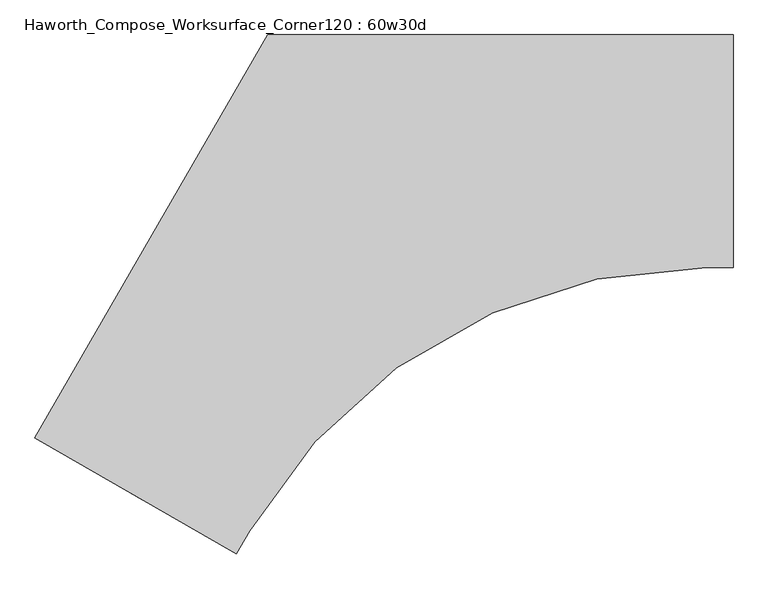
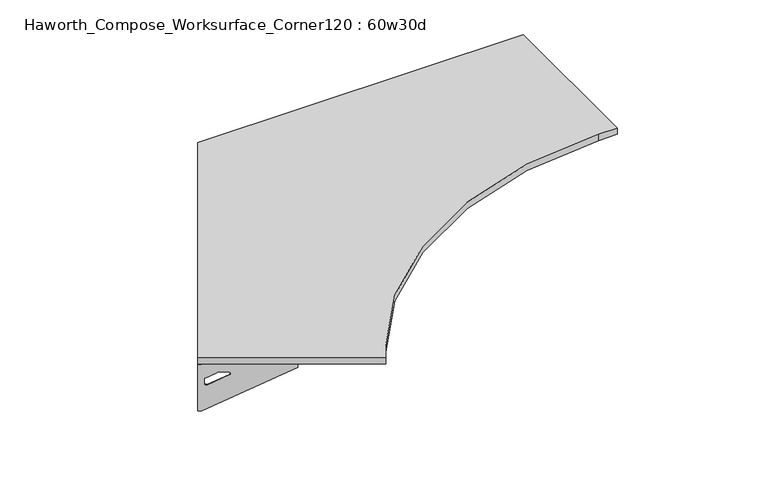
"""IFC4 building model written with IfcOpenShell, lengths in millimetres: furniture geometry, Haworth_Compose_Worksurface_Corner120 : 60w30d."""

import ifcopenshell
import ifcopenshell.guid

model = None  # the IFC model being written
_history = None  # IfcOwnerHistory: only IFC2X3 demands one
_inside = {}  # id of a spatial element -> (the spatial element, [elements in it])
_under = {}  # id of a project, library or spatial element -> (it, [spatial elements below it])
_declared = {}  # id of a project -> (the project, [libraries it declares])
_typed = {}  # id of a type object -> (the type object, [elements of that type])
_made_of = {}  # id of a material, layer set ... -> (it, [elements and type objects made of it])


def new_model(schema):
    """Start an empty IFC model of exactly this schema.

    Asked for "IFC4X3", IfcOpenShell would pick the latest addendum, in which some entities
    have other attributes; the version numbers below select the first issue.
    IFC2X3 requires an IfcOwnerHistory on every rooted entity: one is made here for all.
    """
    global model, _history
    if schema == "IFC4X3":
        model = ifcopenshell.file(schema_version=(4, 3, 0, 0))
    else:
        model = ifcopenshell.file(schema=schema)
    _inside.clear()
    _under.clear()
    _declared.clear()
    _typed.clear()
    _made_of.clear()
    _history = None
    if model.schema == "IFC2X3":
        org = make("IfcOrganization", Name="unknown")
        user = make(
            "IfcPersonAndOrganization",
            ThePerson=make("IfcPerson", FamilyName="unknown"),
            TheOrganization=org,
        )
        app = make(
            "IfcApplication",
            ApplicationDeveloper=org,
            Version="unknown",
            ApplicationFullName="unknown",
            ApplicationIdentifier="unknown",
        )
        _history = make(
            "IfcOwnerHistory",
            OwningUser=user,
            OwningApplication=app,
            ChangeAction="ADDED",
            CreationDate=0,
        )
    return model


def make(cls, **values):
    """One entity of the class cls with the attributes given. An attribute that is None is left unset."""
    return model.create_entity(
        cls, **{name: value for name, value in values.items() if value is not None}
    )


def rooted(cls, **values):
    """An entity with a GlobalId (a new one), such as an element, a storey or a relation."""
    return make(cls, GlobalId=ifcopenshell.guid.new(), OwnerHistory=_history, **values)


def si_unit(unit_type, name, prefix=None):
    """IfcSIUnit, for example si_unit("LENGTHUNIT", "METRE", prefix="MILLI")."""
    return make("IfcSIUnit", UnitType=unit_type, Prefix=prefix, Name=name)


def assignment(units):
    """IfcUnitAssignment: the units of a project."""
    return None if units is None else make("IfcUnitAssignment", Units=units)


def point(xyz):
    """IfcCartesianPoint."""
    return None if xyz is None else make("IfcCartesianPoint", Coordinates=xyz)


def direction(xyz):
    """IfcDirection."""
    return None if xyz is None else make("IfcDirection", DirectionRatios=xyz)


def frame(location, z_axis=None, x_axis=None):
    """IfcAxis2Placement3D, a coordinate frame: its origin and axes. An axis left out is left unset."""
    return make(
        "IfcAxis2Placement3D",
        Location=point(location),
        Axis=direction(z_axis),
        RefDirection=direction(x_axis),
    )


def frame_2d(location, x_axis=None):
    """IfcAxis2Placement2D, a coordinate frame in the plane: its origin and x axis."""
    return make(
        "IfcAxis2Placement2D", Location=point(location), RefDirection=direction(x_axis)
    )


def origin():
    """The frame at (0, 0, 0) with its axes left unset."""
    return frame((0.0, 0.0, 0.0))


def place(relative_to, where):
    """IfcLocalPlacement: puts the frame where relative to a parent placement (None: the world)."""
    return make(
        "IfcLocalPlacement", PlacementRelTo=relative_to, RelativePlacement=where
    )


def context(
    kind, dimensions, precision=None, world=None, true_north=None, identifier=None
):
    """IfcGeometricRepresentationContext, for example the 3D "Model" context."""
    return make(
        "IfcGeometricRepresentationContext",
        ContextIdentifier=identifier,
        ContextType=kind,
        CoordinateSpaceDimension=dimensions,
        Precision=precision,
        WorldCoordinateSystem=world,
        TrueNorth=true_north,
    )


def project(units=None, contexts=None):
    """IfcProject with its units and contexts."""
    return rooted(
        "IfcProject",
        Name="project",
        RepresentationContexts=contexts,
        UnitsInContext=assignment(units),
    )


def spatial(cls, under=None, at=None, **own):
    """A site, building, storey or space (cls), placed at a placement, below another one or the project."""
    s = rooted(cls, ObjectPlacement=at, **own)
    if under is not None:
        _under.setdefault(under.id(), (under, []))[1].append(s)
    return s


def polyline(points):
    """IfcPolyline through the points."""
    return make("IfcPolyline", Points=[point(p) for p in points])


def circle_curve(where, radius):
    """IfcCircle in the frame where."""
    return make("IfcCircle", Position=where, Radius=radius)


def trimmed(basis, trim1, trim2, sense, master):
    """IfcTrimmedCurve: the piece of a basis curve between two trims."""
    return make(
        "IfcTrimmedCurve",
        BasisCurve=basis,
        Trim1=trim1,
        Trim2=trim2,
        SenseAgreement=sense,
        MasterRepresentation=master,
    )


def segment(curve, same_sense, transition):
    """IfcCompositeCurveSegment."""
    return make(
        "IfcCompositeCurveSegment",
        Transition=transition,
        SameSense=same_sense,
        ParentCurve=curve,
    )


def composite_curve(segments, self_intersect=None):
    """IfcCompositeCurve: segments joined end to end."""
    return make("IfcCompositeCurve", Segments=segments, SelfIntersect=self_intersect)


def outline(outer, holes=None, kind="AREA"):
    """IfcArbitraryClosedProfileDef: a profile drawn as a closed curve; with holes, ...WithVoids."""
    if holes is None:
        return make("IfcArbitraryClosedProfileDef", ProfileType=kind, OuterCurve=outer)
    return make(
        "IfcArbitraryProfileDefWithVoids",
        ProfileType=kind,
        OuterCurve=outer,
        InnerCurves=holes,
    )


def extrude(swept, where, along, depth):
    """IfcExtrudedAreaSolid: the profile swept, set in the frame where, extruded along a direction by depth."""
    return make(
        "IfcExtrudedAreaSolid",
        SweptArea=swept,
        Position=where,
        ExtrudedDirection=direction(along),
        Depth=depth,
    )


def shape(context_of_items, identifier, shape_type, items):
    """IfcShapeRepresentation: the items that make up one representation, for example the "Body"."""
    return make(
        "IfcShapeRepresentation",
        ContextOfItems=context_of_items,
        RepresentationIdentifier=identifier,
        RepresentationType=shape_type,
        Items=items,
    )


def source(mapping_origin, context_of_items, identifier, shape_type, items):
    """IfcRepresentationMap: a shape defined once, which mapped items show again and again."""
    return make(
        "IfcRepresentationMap",
        MappingOrigin=mapping_origin,
        MappedRepresentation=shape(context_of_items, identifier, shape_type, items),
    )


def transform(
    local_origin,
    x_axis=None,
    y_axis=None,
    z_axis=None,
    scale=None,
    scale2=None,
    scale3=None,
    uniform=True,
):
    """IfcCartesianTransformationOperator3D, or its non-uniform kind. x_axis, y_axis, z_axis: its Axis1, 2, 3."""
    if uniform:
        return make(
            "IfcCartesianTransformationOperator3D",
            Axis1=direction(x_axis),
            Axis2=direction(y_axis),
            LocalOrigin=point(local_origin),
            Scale=scale,
            Axis3=direction(z_axis),
        )
    return make(
        "IfcCartesianTransformationOperator3DnonUniform",
        Axis1=direction(x_axis),
        Axis2=direction(y_axis),
        LocalOrigin=point(local_origin),
        Scale=scale,
        Axis3=direction(z_axis),
        Scale2=scale2,
        Scale3=scale3,
    )


def mapped(mapping_source, mapping_target):
    """IfcMappedItem: shows the shape of a source again, moved by a transform."""
    return make(
        "IfcMappedItem", MappingSource=mapping_source, MappingTarget=mapping_target
    )


def made_of(thing, what):
    """Note that an element or type object is made of a material, layer set ...; save() writes the relation."""
    if what is not None:
        _made_of.setdefault(what.id(), (what, []))[1].append(thing)
    return thing


def element(
    cls,
    number,
    at=None,
    inside=None,
    cuts=None,
    type_object=None,
    material=None,
    context=None,
    identifier="Body",
    shape_type=None,
    held_by="IfcProductDefinitionShape",
    body=None,
    shapes=None,
    **own,
):
    """One element of the class cls, such as IfcWall. Its Tag is "e" and its number.

    at: its placement. inside: the storey or other place that contains it. cuts: it is an
    opening in that element (IfcRelVoidsElement). A single representation is given by context,
    identifier, shape_type and body (its items); several are given by shapes. held_by: the class
    of the entity that holds the representations. save() writes the other relations.
    """
    e = rooted(cls, Tag="e%d" % number, ObjectPlacement=at, **own)
    if body is not None:
        shapes = [shape(context, identifier, shape_type, body)]
    if shapes is not None:
        e.Representation = make(held_by, Representations=shapes)
    if inside is not None:
        _inside.setdefault(inside.id(), (inside, []))[1].append(e)
    if cuts is not None:
        rooted(
            "IfcRelVoidsElement", RelatingBuildingElement=cuts, RelatedOpeningElement=e
        )
    if type_object is not None:
        _typed.setdefault(type_object.id(), (type_object, []))[1].append(e)
    return made_of(e, material)


def aggregate(whole, parts):
    """IfcRelAggregates: a whole, such as a stair, and the parts it consists of."""
    return rooted("IfcRelAggregates", RelatingObject=whole, RelatedObjects=parts)


def save(model, path):
    """Write the relations noted so far, then the file.

    IfcRelAggregates (storeys below a building ...), IfcRelContainedInSpatialStructure (elements
    in a storey), IfcRelDefinesByType, IfcRelAssociatesMaterial and IfcRelDeclares: one each for
    every whole, place, type object, material and project.
    """
    for whole, parts in _under.values():
        aggregate(whole, parts)
    for where, things in _inside.values():
        rooted(
            "IfcRelContainedInSpatialStructure",
            RelatedElements=things,
            RelatingStructure=where,
        )
    for kind, things in _typed.values():
        rooted("IfcRelDefinesByType", RelatedObjects=things, RelatingType=kind)
    for what, things in _made_of.values():
        rooted("IfcRelAssociatesMaterial", RelatedObjects=things, RelatingMaterial=what)
    for by, libraries in _declared.values():
        rooted("IfcRelDeclares", RelatingContext=by, RelatedDefinitions=libraries)
    model.write(path)


def plane_surface(at):
    """IfcPlane: the flat surface through the origin of the frame at, square to its z axis."""
    return make("IfcPlane", Position=at)


def revolved_surface(curve, axis_point, axis_direction):
    """IfcSurfaceOfRevolution: the curve turned about the line through axis_point along axis_direction."""
    return make(
        "IfcSurfaceOfRevolution",
        SweptCurve=make("IfcArbitraryOpenProfileDef", ProfileType="CURVE", Curve=curve),
        AxisPosition=make("IfcAxis1Placement", Location=point(axis_point), Axis=direction(axis_direction)),
    )


def advanced_brep(points, edges, surfaces, faces):
    """IfcAdvancedBrep: a solid bounded by faces that lie on surfaces and meet in shared edges.

    An edge is (start, end): straight between two places in points (the first is 0);
    or (start, end, curve); or (start, end, curve, False) where it runs against its curve.
    A face is (place in surfaces, loops), or (place, loops, False) where it looks against
    its surface's normal. A loop lists edges by number (the first is 1), with a minus sign
    where the edge is run from its end to its start. The first loop is the outer one.
    """
    corners = [point(p) for p in points]
    vertices = [make("IfcVertexPoint", VertexGeometry=c) for c in corners]
    made = []
    for start, end, *more in edges:
        made.append(
            make(
                "IfcEdgeCurve",
                EdgeStart=vertices[start],
                EdgeEnd=vertices[end],
                EdgeGeometry=more[0] if more else make("IfcPolyline", Points=[corners[start], corners[end]]),
                SameSense=more[1] if len(more) > 1 else True,
            )
        )
    hull = []
    for where, loops, *sense in faces:
        bounds = []
        for j, loop in enumerate(loops):
            ring = [make("IfcOrientedEdge", EdgeElement=made[abs(k) - 1], Orientation=k > 0) for k in loop]
            bounds.append(
                make(
                    "IfcFaceOuterBound" if j == 0 else "IfcFaceBound",
                    Bound=make("IfcEdgeLoop", EdgeList=ring),
                    Orientation=True,
                )
            )
        hull.append(make("IfcAdvancedFace", Bounds=bounds, FaceSurface=surfaces[where], SameSense=sense[0] if sense else True))
    return make("IfcAdvancedBrep", Outer=make("IfcClosedShell", CfsFaces=hull))


def haworth_compose_worksurface_corner120_60w30d_ccb3b165(model_context):
    return source(origin(), model_context, "Body", "SolidModel", [
        advanced_brep(
        [(759.61875, 304.8, 473.86875), (759.61875, 288.925, 473.86875), (759.61875, -101.6, 690.1317568), (759.61875, -101.6, 702.46875), (759.61875, 288.925, 702.46875), (759.61875, 304.8, 702.46875), (759.61875, 221.490072, 664.36875), (759.61875, 177.8355284, 664.36875), (759.61875, 175.1564235, 654.7830539), (759.61875, 266.8776173, 603.9901439), (759.61875, 276.225, 609.5881969), (759.61875, 276.225, 633.0985246), (759.61875, 274.4730055, 635.9367776), (759.61875, 224.5663437, 663.5738425), (762.0, 304.8, 473.86875), (762.0, 304.8, 702.46875), (762.0, 288.925, 702.46875), (762.0, 288.925, 704.85), (762.0, -101.6, 704.85), (762.0, -101.6, 690.1317568), (762.0, 288.925, 473.86875), (762.0, 221.490072, 664.36875), (762.0, 224.5663437, 663.5738425), (762.0, 274.4730055, 635.9367776), (762.0, 276.225, 633.0985246), (762.0, 276.225, 609.5881969), (762.0, 266.8776173, 603.9901439), (762.0, 175.1564235, 654.7830539), (762.0, 177.8355284, 664.36875), (720.725, -101.6, 704.85), (720.725, -101.6, 702.46875), (720.725, 288.925, 702.46875), (720.725, 288.925, 704.85)],
        [
            (0, 1),
            (1, 2),
            (2, 3),
            (3, 4),
            (4, 5),
            (5, 0),
            (6, 7),
            (7, 8, circle_curve(frame((759.61875, 177.8355284, 659.2015106), z_axis=(1.0, 0.0, 0.0), x_axis=(0.0, -1.0, 0.0)), 5.1672394)),
            (8, 9),
            (9, 10, circle_curve(frame((759.61875, 269.875, 609.5881969), z_axis=(1.0, 0.0, 0.0), x_axis=(0.0, -1.0, 0.0)), 6.35)),
            (10, 11),
            (11, 12, circle_curve(frame((759.61875, 273.05, 633.0985246), z_axis=(1.0, 0.0, 0.0), x_axis=(0.0, -1.0, 0.0)), 3.175)),
            (12, 13),
            (13, 6, circle_curve(frame((759.61875, 221.490072, 658.01875), z_axis=(1.0, 0.0, 0.0), x_axis=(0.0, -1.0, 0.0)), 6.35)),
            (14, 15),
            (15, 16),
            (16, 17),
            (17, 18),
            (18, 19),
            (19, 20),
            (20, 14),
            (21, 22, circle_curve(frame((762.0, 221.490072, 658.01875), z_axis=(-1.0, 0.0, 0.0), x_axis=(0.0, -1.0, 0.0)), 6.35)),
            (22, 23),
            (23, 24, circle_curve(frame((762.0, 273.05, 633.0985246), z_axis=(-1.0, 0.0, 0.0), x_axis=(0.0, -1.0, 0.0)), 3.175)),
            (24, 25),
            (25, 26, circle_curve(frame((762.0, 269.875, 609.5881969), z_axis=(-1.0, 0.0, 0.0), x_axis=(0.0, -1.0, 0.0)), 6.35)),
            (26, 27),
            (27, 28, circle_curve(frame((762.0, 177.8355284, 659.2015106), z_axis=(-1.0, 0.0, 0.0), x_axis=(0.0, -1.0, 0.0)), 5.1672394)),
            (28, 21),
            (4, 16),
            (15, 5),
            (14, 0),
            (20, 1),
            (19, 2),
            (18, 29),
            (29, 30),
            (30, 3),
            (6, 21),
            (28, 7),
            (9, 26),
            (25, 10),
            (24, 11),
            (23, 12),
            (27, 8),
            (31, 4),
            (30, 31),
            (32, 29),
            (17, 32),
            (31, 32),
            (22, 13),
        ],
        [
            plane_surface(frame((759.61875, 304.8, 473.86875), z_axis=(-1.0, 0.0, 0.0), x_axis=(0.0, 1.0, 0.0))),
            plane_surface(frame((762.0, 304.8, 473.86875), z_axis=(1.0, 0.0, 0.0), x_axis=(0.0, -1.0, 0.0))),
            plane_surface(frame((762.0, -101.6, 702.46875), z_axis=(0.0, 0.0, 1.0), x_axis=(-1.0, 0.0, 0.0))),
            plane_surface(frame((762.0, 304.8, 702.46875), z_axis=(0.0, 1.0, 0.0), x_axis=(-1.0, 0.0, 0.0))),
            plane_surface(frame((762.0, 304.8, 473.86875), z_axis=(0.0, 0.0, -1.0), x_axis=(-1.0, 0.0, 0.0))),
            plane_surface(frame((762.0, 288.925, 473.86875), z_axis=(0.0, -0.4844522351345575, -0.8748177135112957), x_axis=(-1.0, 0.0, 0.0))),
            plane_surface(frame((762.0, -101.6, 690.1317568), z_axis=(0.0, -1.0, 0.0), x_axis=(-1.0, 0.0, 0.0))),
            plane_surface(frame((762.0, 221.490072, 664.36875), z_axis=(0.0, 0.0, -1.0), x_axis=(-1.0, 0.0, 0.0))),
            revolved_surface(polyline([(759.61875, 263.525, 609.5881969), (762.0, 263.525, 609.5881969)]), (762.0, 269.875, 609.5881969), (-1.0, 0.0, 0.0)),
            plane_surface(frame((762.0, 276.225, 609.5881969), z_axis=(0.0, -1.0, 0.0), x_axis=(-1.0, 0.0, 0.0))),
            revolved_surface(polyline([(759.61875, 269.875, 633.0985246), (762.0, 269.875, 633.0985246)]), (762.0, 273.05, 633.0985246), (-1.0, 0.0, 0.0)),
            revolved_surface(polyline([(759.61875, 172.668289, 659.2015106), (762.0, 172.668289, 659.2015106)]), (762.0, 177.8355284, 659.2015106), (-1.0, 0.0, 0.0)),
            plane_surface(frame((762.0, 288.925, 702.46875), z_axis=(0.0, 0.0, -1.0), x_axis=(-1.0, 0.0, 0.0))),
            plane_surface(frame((762.0, 288.925, 704.85), z_axis=(0.0, 0.0, 1.0), x_axis=(1.0, 0.0, 0.0))),
            plane_surface(frame((720.725, 288.925, 704.85), z_axis=(0.0, 1.0, 0.0), x_axis=(0.0, 0.0, -1.0))),
            plane_surface(frame((720.725, -101.6, 704.85), z_axis=(-1.0, 0.0, 0.0), x_axis=(0.0, 0.0, -1.0))),
            plane_surface(frame((762.0, 175.1564235, 654.7830539), z_axis=(0.0, 0.4844522351341526, 0.8748177135115199), x_axis=(-1.0, 0.0, 0.0))),
            plane_surface(frame((762.0, 274.4730055, 635.9367776), z_axis=(0.0, -0.48445223513456226, -0.874817713511293), x_axis=(-1.0, 0.0, 0.0))),
            revolved_surface(polyline([(759.61875, 215.140072, 658.01875), (762.0, 215.140072, 658.01875)]), (762.0, 221.490072, 658.01875), (-1.0, 0.0, 0.0)),
        ],
        [
            (0, [[1, 2, 3, 4, 5, 6], [7, 8, 9, 10, 11, 12, 13, 14]]),
            (1, [[15, 16, 17, 18, 19, 20, 21], [22, 23, 24, 25, 26, 27, 28, 29]]),
            (2, [[-5, 30, -16, 31]]),
            (3, [[-31, -15, 32, -6]]),
            (4, [[-32, -21, 33, -1]]),
            (5, [[-33, -20, 34, -2]]),
            (6, [[-34, -19, 35, 36, 37, -3]]),
            (7, [[38, -29, 39, -7]]),
            (8, [[40, -26, 41, -10]]),
            (9, [[-41, -25, 42, -11]]),
            (10, [[-42, -24, 43, -12]]),
            (11, [[-39, -28, 44, -8]]),
            (12, [[45, -4, -37, 46]]),
            (13, [[47, -35, -18, 48]]),
            (14, [[-17, -30, -45, 49, -48]]),
            (15, [[-36, -47, -49, -46]]),
            (16, [[-44, -27, -40, -9]]),
            (17, [[-43, -23, 50, -13]]),
            (18, [[-50, -22, -38, -14]]),
        ],
    ),
        advanced_brep(
        [(-1522.809375, -1012.9604924, 473.86875), (-1522.809375, -1012.9604924, 702.46875), (-1509.0612217, -1020.8979924, 702.46875), (-1170.8566509, -1216.1604924, 702.46875), (-1170.8566509, -1216.1604924, 690.1317568), (-1509.0612217, -1020.8979924, 473.86875), (-1450.660861, -1054.6154564, 664.36875), (-1453.3249904, -1053.0773205, 663.5738425), (-1496.5454274, -1028.1239896, 635.9367776), (-1498.0626991, -1027.2479924, 633.0985246), (-1498.0626991, -1027.2479924, 609.5881969), (-1489.9676282, -1031.9216837, 603.9901439), (-1410.5347443, -1077.7822806, 654.7830539), (-1412.8549172, -1076.4427282, 664.36875), (-1524.0, -1015.0227154, 473.86875), (-1510.2518467, -1022.9602154, 473.86875), (-1172.0472759, -1218.2227154, 690.1317568), (-1172.0472759, -1218.2227154, 704.85), (-1510.2518467, -1022.9602154, 704.85), (-1510.2518467, -1022.9602154, 702.46875), (-1524.0, -1015.0227154, 702.46875), (-1451.851486, -1056.6776794, 664.36875), (-1414.0455422, -1078.5049512, 664.36875), (-1411.7253693, -1079.8445036, 654.7830539), (-1491.1582532, -1033.9839067, 603.9901439), (-1499.2533241, -1029.3102154, 609.5881969), (-1499.2533241, -1029.3102154, 633.0985246), (-1497.7360524, -1030.1862126, 635.9367776), (-1454.5156154, -1055.1395435, 663.5738425), (-1151.4097759, -1182.4775168, 702.46875), (-1151.4097759, -1182.4775168, 704.85), (-1489.6143467, -987.2150168, 702.46875), (-1489.6143467, -987.2150168, 704.85)],
        [
            (0, 1),
            (1, 2),
            (2, 3),
            (3, 4),
            (4, 5),
            (5, 0),
            (6, 7, circle_curve(frame((-1450.660861, -1054.6154564, 658.01875), z_axis=(-0.5000000000000026, -0.8660254037844374, 0.0), x_axis=(0.8660254037844372, -0.5000000000000024, 0.0)), 6.35)),
            (7, 8),
            (8, 9, circle_curve(frame((-1495.3130684, -1028.8354924, 633.0985246), z_axis=(-0.5000000000000026, -0.8660254037844374, 0.0), x_axis=(0.8660254037844372, -0.5000000000000024, 0.0)), 3.175)),
            (9, 10),
            (10, 11, circle_curve(frame((-1492.5634378, -1030.4229924, 609.5881969), z_axis=(-0.5000000000000026, -0.8660254037844374, 0.0), x_axis=(0.8660254037844372, -0.5000000000000024, 0.0)), 6.35)),
            (11, 12),
            (12, 13, circle_curve(frame((-1412.8549172, -1076.4427282, 659.2015106), z_axis=(-0.5000000000000026, -0.8660254037844374, 0.0), x_axis=(0.8660254037844372, -0.5000000000000024, 0.0)), 5.1672394)),
            (13, 6),
            (14, 15),
            (15, 16),
            (16, 17),
            (17, 18),
            (18, 19),
            (19, 20),
            (20, 14),
            (21, 22),
            (22, 23, circle_curve(frame((-1414.0455422, -1078.5049512, 659.2015106), z_axis=(0.5000000000000026, 0.8660254037844374, 0.0), x_axis=(0.8660254037844372, -0.5000000000000024, 0.0)), 5.1672394)),
            (23, 24),
            (24, 25, circle_curve(frame((-1493.7540628, -1032.4852154, 609.5881969), z_axis=(0.5000000000000026, 0.8660254037844374, 0.0), x_axis=(0.8660254037844372, -0.5000000000000024, 0.0)), 6.35)),
            (25, 26),
            (26, 27, circle_curve(frame((-1496.5036934, -1030.8977154, 633.0985246), z_axis=(0.5000000000000026, 0.8660254037844374, 0.0), x_axis=(0.8660254037844372, -0.5000000000000024, 0.0)), 3.175)),
            (27, 28),
            (28, 21, circle_curve(frame((-1451.851486, -1056.6776794, 658.01875), z_axis=(0.5000000000000026, 0.8660254037844374, 0.0), x_axis=(0.8660254037844372, -0.5000000000000024, 0.0)), 6.35)),
            (1, 20),
            (19, 2),
            (0, 14),
            (5, 15),
            (4, 16),
            (3, 29),
            (29, 30),
            (30, 17),
            (13, 22),
            (21, 6),
            (10, 25),
            (24, 11),
            (9, 26),
            (8, 27),
            (12, 23),
            (31, 29),
            (2, 31),
            (32, 18),
            (30, 32),
            (32, 31),
            (7, 28),
        ],
        [
            plane_surface(frame((-1522.809375, -1012.9604924, 473.86875), z_axis=(0.5000000000000026, 0.8660254037844373, 0.0), x_axis=(-0.8660254037844373, 0.5000000000000026, 0.0))),
            plane_surface(frame((-1524.0, -1015.0227154, 473.86875), z_axis=(-0.5000000000000026, -0.8660254037844373, 0.0), x_axis=(0.8660254037844373, -0.5000000000000026, 0.0))),
            plane_surface(frame((-1172.0472759, -1218.2227154, 702.46875), z_axis=(0.0, 0.0, 1.0), x_axis=(0.5000000000000011, 0.866025403784438, 0.0))),
            plane_surface(frame((-1524.0, -1015.0227154, 702.46875), z_axis=(-0.866025403784438, 0.5000000000000011, 0.0), x_axis=(0.5000000000000011, 0.866025403784438, 0.0))),
            plane_surface(frame((-1524.0, -1015.0227154, 473.86875), z_axis=(0.0, 0.0, -1.0), x_axis=(0.5000000000000011, 0.866025403784438, 0.0))),
            plane_surface(frame((-1510.2518467, -1022.9602154, 473.86875), z_axis=(0.41954794254667943, -0.24222611756727808, -0.8748177135112957), x_axis=(0.5000000000000011, 0.866025403784438, 0.0))),
            plane_surface(frame((-1172.0472759, -1218.2227154, 690.1317568), z_axis=(0.866025403784438, -0.5000000000000011, 0.0), x_axis=(0.5000000000000011, 0.866025403784438, 0.0))),
            plane_surface(frame((-1451.851486, -1056.6776794, 664.36875), z_axis=(0.0, 0.0, -1.0), x_axis=(0.5000000000000011, 0.866025403784438, 0.0))),
            revolved_surface(polyline([(-1487.0641764519498, -1033.5979923483158, 609.5881969), (-1488.2548014859688, -1035.6602154, 609.5881969)]), (-1493.7540628, -1032.4852154, 609.5881969), (0.5000000000000024, 0.8660254037844372, 0.0)),
            plane_surface(frame((-1499.2533241, -1029.3102154, 609.5881969), z_axis=(0.866025403784438, -0.5000000000000011, 0.0), x_axis=(0.5000000000000011, 0.866025403784438, 0.0))),
            revolved_surface(polyline([(-1492.56343773985, -1030.4229924018098, 633.0985246), (-1493.7540627537305, -1032.485215418613, 633.0985246)]), (-1496.5036934, -1030.8977154, 633.0985246), (0.5000000000000024, 0.8660254037844372, 0.0)),
            revolved_surface(polyline([(-1408.3799565880802, -1079.0263478655236, 659.2015106), (-1409.5705816121642, -1081.0885709000001, 659.2015106)]), (-1414.0455422, -1078.5049512, 659.2015106), (0.5000000000000024, 0.8660254037844372, 0.0)),
            plane_surface(frame((-1510.2518467, -1022.9602154, 702.46875), z_axis=(0.0, 0.0, -1.0), x_axis=(0.5000000000000011, 0.866025403784438, 0.0))),
            plane_surface(frame((-1510.2518467, -1022.9602154, 704.85), z_axis=(0.0, 0.0, 1.0), x_axis=(-0.5000000000000011, -0.866025403784438, 0.0))),
            plane_surface(frame((-1489.6143467, -987.2150168, 704.85), z_axis=(-0.866025403784438, 0.5000000000000011, 0.0), x_axis=(0.0, 0.0, -1.0))),
            plane_surface(frame((-1151.4097759, -1182.4775168, 704.85), z_axis=(0.5000000000000011, 0.866025403784438, 0.0), x_axis=(0.0, 0.0, -1.0))),
            plane_surface(frame((-1411.7253693, -1079.8445036, 654.7830539), z_axis=(-0.41954794254632877, 0.24222611756707563, 0.87481771351152), x_axis=(0.5000000000000011, 0.866025403784438, 0.0))),
            plane_surface(frame((-1497.7360524, -1030.1862126, 635.9367776), z_axis=(0.4195479425466836, -0.24222611756728046, -0.874817713511293), x_axis=(0.5000000000000011, 0.866025403784438, 0.0))),
            revolved_surface(polyline([(-1445.161599650898, -1057.790456346494, 658.01875), (-1446.3522246859688, -1059.8526794, 658.01875)]), (-1451.851486, -1056.6776794, 658.01875), (0.5000000000000024, 0.8660254037844372, 0.0)),
        ],
        [
            (0, [[1, 2, 3, 4, 5, 6], [7, 8, 9, 10, 11, 12, 13, 14]]),
            (1, [[15, 16, 17, 18, 19, 20, 21], [22, 23, 24, 25, 26, 27, 28, 29]]),
            (2, [[30, -20, 31, -2]]),
            (3, [[-1, 32, -21, -30]]),
            (4, [[-6, 33, -15, -32]]),
            (5, [[-5, 34, -16, -33]]),
            (6, [[-4, 35, 36, 37, -17, -34]]),
            (7, [[-14, 38, -22, 39]]),
            (8, [[-11, 40, -25, 41]]),
            (9, [[-10, 42, -26, -40]]),
            (10, [[-9, 43, -27, -42]]),
            (11, [[-13, 44, -23, -38]]),
            (12, [[45, -35, -3, 46]]),
            (13, [[47, -18, -37, 48]]),
            (14, [[-47, 49, -46, -31, -19]]),
            (15, [[-45, -49, -48, -36]]),
            (16, [[-12, -41, -24, -44]]),
            (17, [[-8, 50, -28, -43]]),
            (18, [[-7, -39, -29, -50]]),
        ],
    ),
        extrude(outline(composite_curve([segment(polyline([(-1524.0, -1015.0227154), (-762.0, 304.8), (762.0, 304.8), (762.0, -457.2), (675.1402901, -457.2)]), True, "CONTINUOUS"), segment(trimmed(circle_curve(frame_2d((675.1402901, -2184.4)), 1727.2), [point((675.1402901, -457.2))], [point((-820.6587873, -1320.8))], True, "CARTESIAN"), True, "CONTINUOUS"), segment(polyline([(-820.6587873, -1320.8), (-864.0886423, -1396.0227154), (-1524.0, -1015.0227154)]), True, "CONTINUOUS")], self_intersect=False)), frame((0.0, 0.0, 706.4375), z_axis=(0.0, 0.0, 1.0), x_axis=(1.0, 0.0, 0.0)), (0.0, 0.0, 1.0), 30.1625),
    ])


if __name__ == "__main__":
    model = new_model("IFC4")
    model_context = context("Model", 3, world=origin())
    ifc_project = project(units=[si_unit("LENGTHUNIT", "METRE", prefix="MILLI")], contexts=[model_context])
    site = spatial("IfcSite", under=ifc_project)
    building = spatial("IfcBuilding", under=site)
    placement = place(None, origin())
    haworth_compose_worksurface_corner120_60w30d_shape = haworth_compose_worksurface_corner120_60w30d_ccb3b165(model_context)
    element("IfcFurniture", 1, ObjectType="Haworth_Compose_Worksurface_Corner120 : 60w30d", at=placement, inside=building, context=model_context, shape_type="MappedRepresentation", body=[
        mapped(haworth_compose_worksurface_corner120_60w30d_shape, transform((0.0, 0.0, 0.0), x_axis=(1.0, 0.0, 0.0), y_axis=(0.0, 1.0, 0.0), z_axis=(0.0, 0.0, 1.0))),
    ])
    save(model, "model.ifc")
